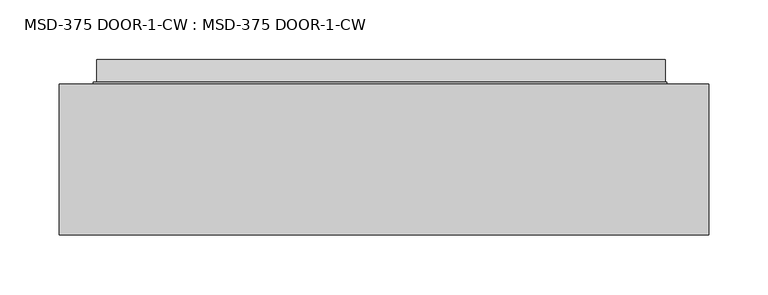
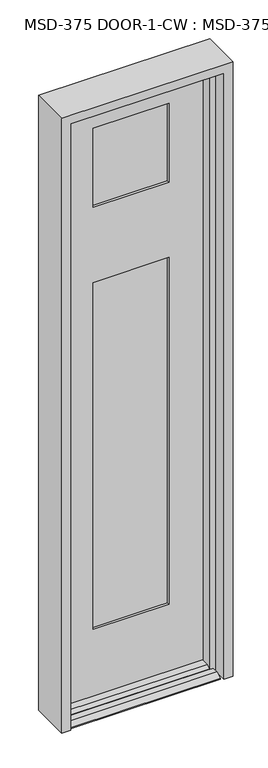
"""IFC4 building model written with IfcOpenShell, lengths in millimetres: plate geometry, MSD-375 DOOR-1-CW : MSD-375 DOOR-1-CW."""

from ifc_helpers import new_model, si_unit, frame, origin, place, context, project, spatial, polyline, outline, extrude, faceted_brep, source, transform, mapped, element, save


def msd_375_door_1_cw_msd_375_door_1_cw_2460f49e(model_context):
    return source(origin(), model_context, "Body", "SolidModel", [
        faceted_brep([(236.6563901, 1.8752528, 0.0), (238.0603327, 1.8752528, 0.0), (236.6563901, -20.6651106, 0.0), (236.6563901, -121.9497472, 0.0), (-241.7064, -121.9497472, 0.0), (-241.7064, -42.5747472, 0.0), (-244.475, 1.8752528, 0.0), (-241.7064, 1.8752528, 0.0), (-241.7064, 20.9252528, 0.0), (236.6563901, 20.9252528, 0.0), (236.6563901, -35.1325472, 226.2251), (236.6563901, -35.1325472, 246.0625), (236.6563901, -42.5747472, 246.0625), (236.6563901, -42.5747472, 21.4376), (236.6563901, -68.4446472, 21.4376), (236.6563901, -80.8652472, 14.2748), (236.6563901, -80.8652472, 12.7), (236.6563901, -102.8997472, 12.7), (236.6563901, -121.9497472, 3.175), (236.6563901, -20.6651106, 226.2251), (236.6563901, 20.9252528, 3.175), (236.6563901, 1.8752528, 12.7), (-241.7064, 1.8752528, 12.7), (-241.7064, 20.9252528, 3.175), (-241.7064, -121.9497472, 3.175), (-241.7064, -102.8997472, 12.7), (-241.7064, -80.8652472, 12.7), (-241.7064, -80.8652472, 14.2748), (-241.7064, -68.4446472, 21.4376), (-241.7064, -42.5747472, 21.4376), (238.0603327, 1.8752528, 2034.2980546), (-244.475, 1.8752528, 2034.2980546), (-123.825, 1.8752528, 1413.65605), (-123.825, 1.8752528, 246.0625), (117.4103327, 1.8752528, 246.0625), (117.4103327, 1.8752528, 1413.65605), (117.4103327, 1.8752528, 1932.6980546), (-123.825, 1.8752528, 1932.6980546), (-123.825, 1.8752528, 1667.65605), (117.4103327, 1.8752528, 1667.65605), (117.4103327, -9.7325472, 1932.6980546), (-123.825, -9.7325472, 1932.6980546), (137.2477327, -9.7325472, 1433.50615), (-143.6624, -9.7325472, 1433.50615), (-143.6624, -9.7325472, 226.2251), (137.2477327, -9.7325472, 226.2251), (-123.825, -9.7325472, 1413.65605), (117.4103327, -9.7325472, 1413.65605), (117.4103327, -9.7325472, 246.0625), (-123.825, -9.7325472, 246.0625), (137.2477327, -9.7325472, 1952.61865), (-143.6624, -9.7325472, 1952.61865), (-143.6624, -9.7325472, 1647.81865), (137.2477327, -9.7325472, 1647.81865), (117.4103327, -9.7325472, 1667.65605), (-123.825, -9.7325472, 1667.65605), (137.2477327, -35.1325472, 1952.61865), (-143.6624, -35.1325472, 1952.61865), (235.7552755, -35.1325472, 226.2251), (235.7552755, -35.1325472, 246.0625), (137.2477327, -35.1325472, 1647.81865), (-143.6624, -35.1325472, 1647.81865), (117.4103327, -35.1325472, 1932.6980546), (-123.825, -35.1325472, 1932.6980546), (-123.825, -35.1325472, 1667.65605), (117.4103327, -35.1325472, 1667.65605), (-143.6624, -35.1325472, 1433.50615), (137.2477327, -35.1325472, 1433.50615), (137.2477327, -35.1325472, 226.2251), (-143.6624, -35.1325472, 226.2251), (117.4103327, -35.1325472, 1413.65605), (-123.825, -35.1325472, 1413.65605), (-123.825, -35.1325472, 246.0625), (117.4103327, -35.1325472, 246.0625), (117.4103327, -42.5747472, 1932.6980546), (-123.825, -42.5747472, 1932.6980546), (235.2917327, -42.5747472, 2034.2980546), (-241.7064, -42.5747472, 2034.2980546), (235.2917327, -42.5747472, 246.0625), (117.4103327, -42.5747472, 1667.65605), (-123.825, -42.5747472, 1667.65605), (117.4103327, -42.5747472, 1413.65605), (117.4103327, -42.5747472, 246.0625), (-123.825, -42.5747472, 246.0625), (-123.825, -42.5747472, 1413.65605)], [[[0, 1, 2, 3, 4, 5, 6, 7, 8, 9]], [[10, 11, 12, 13, 14, 15, 16, 17, 18, 3, 2, 19]], [[9, 20, 21, 0]], [[22, 23, 8, 7]], [[4, 24, 25, 26, 27, 28, 29, 5]], [[30, 1, 0, 21, 22, 7, 6, 31], [32, 33, 34, 35], [36, 37, 38, 39]], [[36, 40, 41, 37]], [[42, 43, 44, 45], [46, 47, 48, 49]], [[50, 51, 52, 53], [41, 40, 54, 55]], [[50, 56, 57, 51]], [[11, 10, 58, 59]], [[57, 56, 60, 61], [62, 63, 64, 65]], [[66, 67, 68, 69], [70, 71, 72, 73]], [[62, 74, 75, 63]], [[76, 77, 29, 13, 12, 78], [75, 74, 79, 80], [81, 82, 83, 84]], [[76, 30, 31, 77]], [[56, 50, 53, 60]], [[68, 67, 42, 45]], [[74, 62, 65, 79]], [[81, 70, 73, 82]], [[30, 76, 78, 59, 58, 19, 2, 1]], [[40, 36, 39, 54]], [[47, 35, 34, 48]], [[29, 77, 31, 6, 5]], [[63, 75, 80, 64]], [[71, 84, 83, 72]], [[44, 43, 66, 69]], [[51, 57, 61, 52]], [[37, 41, 55, 38]], [[32, 46, 49, 33]], [[39, 38, 55, 54]], [[60, 53, 52, 61]], [[65, 64, 80, 79]], [[71, 70, 81, 84]], [[42, 67, 66, 43]], [[32, 35, 47, 46]], [[10, 19, 58]], [[69, 68, 45, 44]], [[12, 11, 59, 78]], [[73, 72, 83, 82]], [[14, 13, 29, 28]], [[15, 14, 28, 27]], [[16, 15, 27, 26]], [[17, 16, 26, 25]], [[18, 17, 25, 24]], [[3, 18, 24, 4]], [[20, 9, 8, 23]], [[22, 21, 20, 23]], [[34, 33, 49, 48]]]),
        extrude(outline(polyline([(-143.6624, -9.7325472), (137.2477327, -9.7325472), (137.2477327, -14.8125472), (-143.6624, -14.8125472), (-143.6624, -9.7325472)])), frame((0.0, 0.0, 226.21875), z_axis=(0.0, 0.0, 1.0), x_axis=(1.0, 0.0, 0.0)), (0.0, 0.0, 1.0), 1207.2874),
        extrude(outline(polyline([(137.2477327, -24.2105472), (137.2477327, -29.2905472), (-143.6624, -29.2905472), (-143.6624, -24.2105472), (137.2477327, -24.2105472)])), frame((0.0, 0.0, 226.21875), z_axis=(0.0, 0.0, 1.0), x_axis=(1.0, 0.0, 0.0)), (0.0, 0.0, 1.0), 1207.2874),
        extrude(outline(polyline([(-143.6624, -30.0525472), (137.2477327, -30.0525472), (137.2477327, -35.1325472), (-143.6624, -35.1325472), (-143.6624, -30.0525472)])), frame((0.0, 0.0, 226.21875), z_axis=(0.0, 0.0, 1.0), x_axis=(1.0, 0.0, 0.0)), (0.0, 0.0, 1.0), 1207.2874),
        extrude(outline(polyline([(-141.7662802, -9.7325472), (136.6338756, -9.7325472), (136.6338756, -14.8125472), (-141.7662802, -14.8125472), (-141.7662802, -9.7325472)])), frame((0.0, 0.0, 1647.81865), z_axis=(0.0, 0.0, 1.0), x_axis=(1.0, 0.0, 0.0)), (0.0, 0.0, 1.0), 304.8),
        extrude(outline(polyline([(136.6338756, -24.2105472), (136.6338756, -29.2905472), (-141.7662802, -29.2905472), (-141.7662802, -24.2105472), (136.6338756, -24.2105472)])), frame((0.0, 0.0, 1647.81865), z_axis=(0.0, 0.0, 1.0), x_axis=(1.0, 0.0, 0.0)), (0.0, 0.0, 1.0), 304.8),
        extrude(outline(polyline([(-141.7662802, -30.0525472), (136.6338756, -30.0525472), (136.6338756, -35.1325472), (-141.7662802, -35.1325472), (-141.7662802, -30.0525472)])), frame((0.0, 0.0, 1647.81865), z_axis=(0.0, 0.0, 1.0), x_axis=(1.0, 0.0, 0.0)), (0.0, 0.0, 1.0), 304.8),
        faceted_brep([(225.425, -47.7876516, 0.0), (244.475, -47.7876516, 0.0), (244.475, 0.0, 0.0), (273.05, 0.0, 0.0), (273.05, -127.0, 0.0), (244.475, -127.0, 0.0), (244.475, -82.7126516, 0.0), (225.425, -82.7126516, 0.0), (273.05, -127.0, 2070.1), (273.05, 0.0, 2070.1), (-273.05, 0.0, 2070.1), (-273.05, -127.0, 2070.1), (225.425, -47.7876516, 2028.825), (244.475, -47.7876516, 2028.825), (244.475, -47.625, 2028.825), (244.475, -47.625, 2041.525), (244.475, 0.0, 2041.525), (-244.475, 0.0, 2041.525), (-244.475, 0.0, 0.0), (-273.05, 0.0, 0.0), (-273.05, -127.0, 0.0), (-244.475, -127.0, 0.0), (-244.475, -127.0, 2041.525), (244.475, -127.0, 2041.525), (244.475, -82.7126516, 2041.525), (225.425, -82.7126516, 2041.525), (225.425, -82.296, 2041.525), (225.425, -82.296, 2028.825), (-225.425, -47.7876516, 0.0), (-225.425, -82.7126516, 0.0), (-244.475, -82.7126516, 0.0), (-244.475, -47.7876516, 0.0), (-225.425, -47.7876516, 2028.825), (-225.425, -82.296, 2028.825), (-225.425, -82.296, 2041.525), (-225.425, -82.7126516, 2041.525), (-244.475, -82.7126516, 2041.525), (-244.475, -47.625, 2041.525), (-244.475, -47.625, 2028.825), (-244.475, -47.7876516, 2028.825)], [[[0, 1, 2, 3, 4, 5, 6, 7]], [[8, 9, 10, 11]], [[1, 0, 12, 13]], [[2, 1, 13, 14, 15, 16]], [[3, 2, 16, 17, 18, 19, 10, 9]], [[4, 3, 9, 8]], [[5, 4, 8, 11, 20, 21, 22, 23]], [[6, 5, 23, 24]], [[7, 6, 24, 25]], [[0, 7, 25, 26, 27, 12]], [[28, 29, 30, 21, 20, 19, 18, 31]], [[29, 28, 32, 33, 34, 35]], [[30, 29, 35, 36]], [[21, 30, 36, 22]], [[10, 19, 20, 11]], [[31, 18, 17, 37, 38, 39]], [[28, 31, 39, 32]], [[23, 22, 36, 35, 34, 26, 25, 24]], [[26, 34, 33, 27]], [[27, 33, 32, 39, 38, 14, 13, 12]], [[14, 38, 37, 15]], [[17, 16, 15, 37]]]),
    ])


if __name__ == "__main__":
    model = new_model("IFC4")
    model_context = context("Model", 3, world=origin())
    ifc_project = project(units=[si_unit("LENGTHUNIT", "METRE", prefix="MILLI")], contexts=[model_context])
    site = spatial("IfcSite", under=ifc_project)
    building = spatial("IfcBuilding", under=site)
    placement = place(None, origin())
    msd_375_door_1_cw_msd_375_door_1_cw_shape = msd_375_door_1_cw_msd_375_door_1_cw_2460f49e(model_context)
    element("IfcPlate", 1, ObjectType="MSD-375 DOOR-1-CW : MSD-375 DOOR-1-CW", at=placement, inside=building, context=model_context, shape_type="MappedRepresentation", body=[
        mapped(msd_375_door_1_cw_msd_375_door_1_cw_shape, transform((0.0, 0.0, 0.0), x_axis=(1.0, 0.0, 0.0), y_axis=(0.0, 1.0, 0.0), z_axis=(0.0, 0.0, 1.0))),
    ])
    save(model, "model.ifc")
